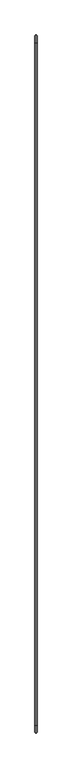
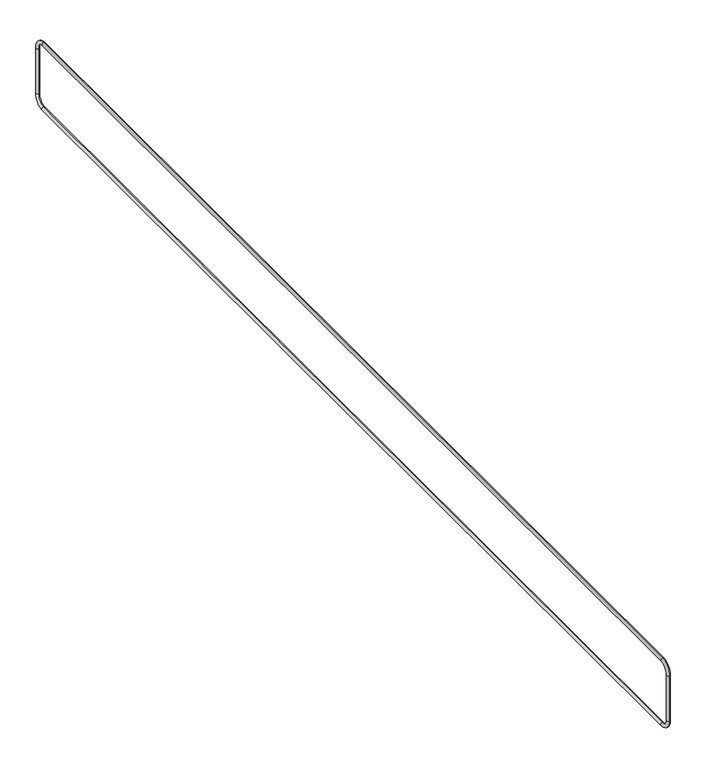
"""IFC4 building model written with IfcOpenShell, lengths in millimetres: beam geometry."""

from ifc_helpers import new_model, si_unit, point, frame, origin, place, context, project, spatial, circle_curve, ellipse_curve, trimmed, source, transform, mapped, element, save
from ifc_brep_helpers import cylinder_surface, revolved_surface, advanced_brep


def beam_323984f9(model_context):
    return source(origin(), model_context, "Body", "AdvancedBrep", [
        advanced_brep(
        [(0.0, -30.0, -0.2869889), (0.0, 5.0, -35.2869889), (0.0, -5.0, -35.2869889), (0.0, -30.0, -10.2869889), (0.0, -3164.5, -10.2869889), (0.0, -3164.5, -0.2869889), (0.0, -3199.5, -35.2869889), (0.0, -3189.5, -35.2869889), (0.0, -3189.5, -175.2869889), (0.0, -3199.5, -175.2869889), (0.0, -3164.5, -210.2869889), (0.0, -3164.5, -200.2869889), (0.0, -30.0, -200.2869889), (0.0, -30.0, -210.2869889), (0.0, 5.0, -175.2869889), (0.0, -5.0, -175.2869889)],
        [
            (0, 1, circle_curve(frame((0.0, -30.0, -35.2869889), z_axis=(-1.0, 0.0, 0.0), x_axis=(0.0, 1.0, 0.0)), 35.0)),
            (1, 2, circle_curve(frame((0.0, 0.0, -35.2869889), z_axis=(0.0, 0.0, 1.0), x_axis=(0.0, -1.0, 0.0)), 5.0)),
            (2, 3, circle_curve(frame((0.0, -30.0, -35.2869889), z_axis=(1.0, 0.0, 0.0), x_axis=(0.0, 1.0, 0.0)), 25.0)),
            (3, 0, circle_curve(frame((0.0, -30.0, -5.2869889), z_axis=(0.0, 1.0, 0.0), x_axis=(0.0, 0.0, -1.0)), 5.0)),
            (2, 1, circle_curve(frame((0.0, 0.0, -35.2869889), z_axis=(0.0, 0.0, 1.0), x_axis=(0.0, -1.0, 0.0)), 5.0)),
            (0, 3, circle_curve(frame((0.0, -30.0, -5.2869889), z_axis=(0.0, 1.0, 0.0), x_axis=(0.0, 0.0, -1.0)), 5.0)),
            (3, 4),
            (4, 5, circle_curve(frame((0.0, -3164.5, -5.2869889), z_axis=(0.0, 1.0, 0.0), x_axis=(0.0, 0.0, -1.0)), 5.0)),
            (5, 0),
            (5, 4, circle_curve(frame((0.0, -3164.5, -5.2869889), z_axis=(0.0, 1.0, 0.0), x_axis=(0.0, 0.0, -1.0)), 5.0)),
            (6, 5, circle_curve(frame((0.0, -3164.5, -35.2869889), z_axis=(-1.0, 0.0, 0.0), x_axis=(0.0, 0.0, 1.0)), 35.0)),
            (4, 7, circle_curve(frame((0.0, -3164.5, -35.2869889), z_axis=(1.0, 0.0, 0.0), x_axis=(0.0, 0.0, 1.0)), 25.0)),
            (7, 6, circle_curve(frame((0.0, -3194.5, -35.2869889), z_axis=(0.0, 0.0, 1.0), x_axis=(0.0, 1.0, 0.0)), 5.0)),
            (6, 7, circle_curve(frame((0.0, -3194.5, -35.2869889), z_axis=(0.0, 0.0, 1.0), x_axis=(0.0, 1.0, 0.0)), 5.0)),
            (7, 8),
            (8, 9, circle_curve(frame((0.0, -3194.5, -175.2869889), z_axis=(0.0, 0.0, 1.0), x_axis=(0.0, 1.0, 0.0)), 5.0)),
            (9, 6),
            (9, 8, circle_curve(frame((0.0, -3194.5, -175.2869889), z_axis=(0.0, 0.0, 1.0), x_axis=(0.0, 1.0, 0.0)), 5.0)),
            (10, 9, circle_curve(frame((0.0, -3164.5, -175.2869889), z_axis=(-1.0, 0.0, 0.0), x_axis=(0.0, -1.0, 0.0)), 35.0)),
            (8, 11, circle_curve(frame((0.0, -3164.5, -175.2869889), z_axis=(1.0, 0.0, 0.0), x_axis=(0.0, -1.0, 0.0)), 25.0)),
            (11, 10, circle_curve(frame((0.0, -3164.5, -205.2869889), z_axis=(0.0, -1.0, 0.0), x_axis=(0.0, 0.0, 1.0)), 5.0)),
            (10, 11, circle_curve(frame((0.0, -3164.5, -205.2869889), z_axis=(0.0, -1.0, 0.0), x_axis=(0.0, 0.0, 1.0)), 5.0)),
            (11, 12),
            (12, 13, circle_curve(frame((0.0, -30.0, -205.2869889), z_axis=(0.0, -1.0, 0.0), x_axis=(0.0, 0.0, 1.0)), 5.0)),
            (13, 10),
            (13, 12, circle_curve(frame((0.0, -30.0, -205.2869889), z_axis=(0.0, -1.0, 0.0), x_axis=(0.0, 0.0, 1.0)), 5.0)),
            (14, 13, circle_curve(frame((0.0, -30.0, -175.2869889), z_axis=(-1.0, 0.0, 0.0), x_axis=(0.0, 0.0, -1.0)), 35.0)),
            (12, 15, circle_curve(frame((0.0, -30.0, -175.2869889), z_axis=(1.0, 0.0, 0.0), x_axis=(0.0, 0.0, -1.0)), 25.0)),
            (15, 14, circle_curve(frame((0.0, 0.0, -175.2869889), z_axis=(0.0, 0.0, -1.0), x_axis=(0.0, -1.0, 0.0)), 5.0)),
            (14, 15, circle_curve(frame((0.0, 0.0, -175.2869889), z_axis=(0.0, 0.0, -1.0), x_axis=(0.0, -1.0, 0.0)), 5.0)),
            (15, 2),
            (1, 14),
        ],
        [
            revolved_surface(trimmed(ellipse_curve(frame((0.0, 0.0, -35.2869889), z_axis=(0.0, 0.0, -1.0), x_axis=(0.0, -1.0, 0.0)), 5.0, 5.0), [point((0.0, -5.0, -35.2869889))], [point((0.0, 5.0, -35.2869889))], True, "CARTESIAN"), (0.0, -30.0, -35.2869889), (1.0, 0.0, 0.0)),
            revolved_surface(trimmed(ellipse_curve(frame((0.0, 0.0, -35.2869889), z_axis=(0.0, 0.0, -1.0), x_axis=(0.0, -1.0, 0.0)), 5.0, 5.0), [point((0.0, 5.0, -35.2869889))], [point((0.0, -5.0, -35.2869889))], True, "CARTESIAN"), (0.0, -30.0, -35.2869889), (1.0, 0.0, 0.0)),
            cylinder_surface(frame((0.0, -30.0, -5.2869889), z_axis=(0.0, 1.0, 0.0), x_axis=(0.0, 0.0, -1.0)), 5.0),
            revolved_surface(trimmed(ellipse_curve(frame((0.0, -3164.5, -5.2869889), z_axis=(0.0, 1.0, 0.0), x_axis=(0.0, 0.0, -1.0)), 5.0, 5.0), [point((0.0, -3164.5, -10.2869889))], [point((0.0, -3164.5, -0.2869889))], True, "CARTESIAN"), (0.0, -3164.5, -35.2869889), (1.0, 0.0, 0.0)),
            revolved_surface(trimmed(ellipse_curve(frame((0.0, -3164.5, -5.2869889), z_axis=(0.0, 1.0, 0.0), x_axis=(0.0, 0.0, -1.0)), 5.0, 5.0), [point((0.0, -3164.5, -0.2869889))], [point((0.0, -3164.5, -10.2869889))], True, "CARTESIAN"), (0.0, -3164.5, -35.2869889), (1.0, 0.0, 0.0)),
            cylinder_surface(frame((0.0, -3194.5, -35.2869889), z_axis=(0.0, 0.0, 1.0), x_axis=(0.0, 1.0, 0.0)), 5.0),
            revolved_surface(trimmed(ellipse_curve(frame((0.0, -3194.5, -175.2869889), z_axis=(0.0, 0.0, 1.0), x_axis=(0.0, 1.0, 0.0)), 5.0, 5.0), [point((0.0, -3189.5, -175.2869889))], [point((0.0, -3199.5, -175.2869889))], True, "CARTESIAN"), (0.0, -3164.5, -175.2869889), (1.0, 0.0, 0.0)),
            revolved_surface(trimmed(ellipse_curve(frame((0.0, -3194.5, -175.2869889), z_axis=(0.0, 0.0, 1.0), x_axis=(0.0, 1.0, 0.0)), 5.0, 5.0), [point((0.0, -3199.5, -175.2869889))], [point((0.0, -3189.5, -175.2869889))], True, "CARTESIAN"), (0.0, -3164.5, -175.2869889), (1.0, 0.0, 0.0)),
            cylinder_surface(frame((0.0, -3164.5, -205.2869889), z_axis=(0.0, -1.0, 0.0), x_axis=(0.0, 0.0, 1.0)), 5.0),
            revolved_surface(trimmed(ellipse_curve(frame((0.0, -30.0, -205.2869889), z_axis=(0.0, -1.0, 0.0), x_axis=(0.0, 0.0, 1.0)), 5.0, 5.0), [point((0.0, -30.0, -200.2869889))], [point((0.0, -30.0, -210.2869889))], True, "CARTESIAN"), (0.0, -30.0, -175.2869889), (1.0, 0.0, 0.0)),
            revolved_surface(trimmed(ellipse_curve(frame((0.0, -30.0, -205.2869889), z_axis=(0.0, -1.0, 0.0), x_axis=(0.0, 0.0, 1.0)), 5.0, 5.0), [point((0.0, -30.0, -210.2869889))], [point((0.0, -30.0, -200.2869889))], True, "CARTESIAN"), (0.0, -30.0, -175.2869889), (1.0, 0.0, 0.0)),
            cylinder_surface(frame((0.0, 0.0, -175.2869889), z_axis=(0.0, 0.0, -1.0), x_axis=(0.0, -1.0, 0.0)), 5.0),
        ],
        [
            (0, [[1, 2, 3, 4]]),
            (1, [[-3, 5, -1, 6]]),
            (2, [[-4, 7, 8, 9]]),
            (2, [[-6, -9, 10, -7]]),
            (3, [[11, -8, 12, 13]]),
            (4, [[-12, -10, -11, 14]]),
            (5, [[-13, 15, 16, 17]]),
            (5, [[-14, -17, 18, -15]]),
            (6, [[19, -16, 20, 21]]),
            (7, [[-20, -18, -19, 22]]),
            (8, [[-21, 23, 24, 25]]),
            (8, [[-22, -25, 26, -23]]),
            (9, [[27, -24, 28, 29]]),
            (10, [[-28, -26, -27, 30]]),
            (11, [[-29, 31, -2, 32]]),
            (11, [[-30, -32, -5, -31]]),
        ],
    ),
    ])


if __name__ == "__main__":
    model = new_model("IFC4")
    model_context = context("Model", 3, world=origin())
    ifc_project = project(units=[si_unit("LENGTHUNIT", "METRE", prefix="MILLI")], contexts=[model_context])
    site = spatial("IfcSite", under=ifc_project)
    building = spatial("IfcBuilding", under=site)
    placement = place(None, origin())
    beam_shape = beam_323984f9(model_context)
    element("IfcBeam", 1, at=placement, inside=building, context=model_context, shape_type="MappedRepresentation", body=[
        mapped(beam_shape, transform((0.0, 0.0, 0.0), x_axis=(1.0, 0.0, 0.0), y_axis=(0.0, 1.0, 0.0), z_axis=(0.0, 0.0, 1.0))),
    ])
    save(model, "model.ifc")
